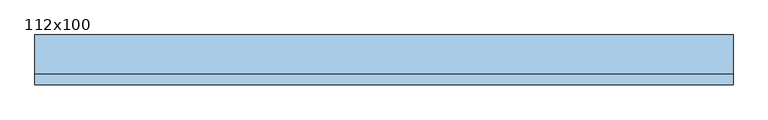
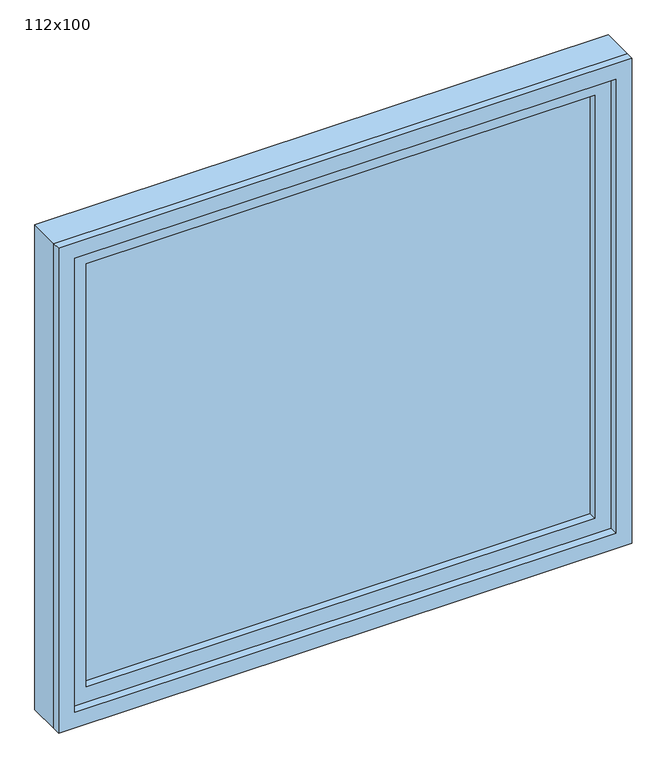
"""IFC4 building model written with IfcOpenShell, lengths in millimetres: window geometry, 112x100."""

from ifc_helpers import new_model, si_unit, frame, origin, place, context, project, spatial, polyline, outline, extrude, source, transform, mapped, element, save


def window_112x100_3d37adf5(model_context):
    return source(origin(), model_context, "Body", "SweptSolid", [
        extrude(outline(polyline([(458.4, -7.625), (-534.6, -7.625), (-534.6, 5.075), (458.4, 5.075), (458.4, -7.625)])), frame((0.0, 0.0, 977.9), z_axis=(0.0, 0.0, 1.0), x_axis=(1.0, 0.0, 0.0)), (0.0, 0.0, 1.0), 873.0),
        extrude(outline(polyline([(1895.35, -579.05), (933.45, -579.05), (933.45, 502.85), (1895.35, 502.85), (1895.35, -579.05)]), holes=[polyline([(1850.9, -534.6), (1850.9, 458.4), (977.9, 458.4), (977.9, -534.6), (1850.9, -534.6)])]), frame((0.0, -23.5, 0.0), z_axis=(0.0, 1.0, 0.0), x_axis=(0.0, 0.0, 1.0)), (0.0, 0.0, 1.0), 44.45),
        extrude(outline(polyline([(1914.4, -598.1), (914.4, -598.1), (914.4, 521.9), (1914.4, 521.9), (1914.4, -598.1)]), holes=[polyline([(1882.65, -566.35), (1882.65, 490.15), (946.15, 490.15), (946.15, -566.35), (1882.65, -566.35)])]), frame((0.0, -40.0, 0.0), z_axis=(0.0, 1.0, 0.0), x_axis=(0.0, 0.0, 1.0)), (0.0, 0.0, 1.0), 16.5),
        extrude(outline(polyline([(1914.4, 521.9), (1914.4, -598.1), (914.4, -598.1), (914.4, 521.9), (1914.4, 521.9)]), holes=[polyline([(1895.35, 502.85), (933.45, 502.85), (933.45, -579.05), (1895.35, -579.05), (1895.35, 502.85)])]), frame((0.0, -23.5, 0.0), z_axis=(0.0, 1.0, 0.0), x_axis=(0.0, 0.0, 1.0)), (0.0, 0.0, 1.0), 63.5),
    ])


if __name__ == "__main__":
    model = new_model("IFC4")
    model_context = context("Model", 3, world=origin())
    ifc_project = project(units=[si_unit("LENGTHUNIT", "METRE", prefix="MILLI")], contexts=[model_context])
    site = spatial("IfcSite", under=ifc_project)
    building = spatial("IfcBuilding", under=site)
    placement = place(None, origin())
    window_112x100_shape = window_112x100_3d37adf5(model_context)
    element("IfcWindow", 1, ObjectType="112x100", at=placement, inside=building, context=model_context, shape_type="MappedRepresentation", body=[
        mapped(window_112x100_shape, transform((0.0, 0.0, 0.0), x_axis=(1.0, 0.0, 0.0), y_axis=(0.0, 1.0, 0.0), z_axis=(0.0, 0.0, 1.0))),
    ])
    save(model, "model.ifc")
